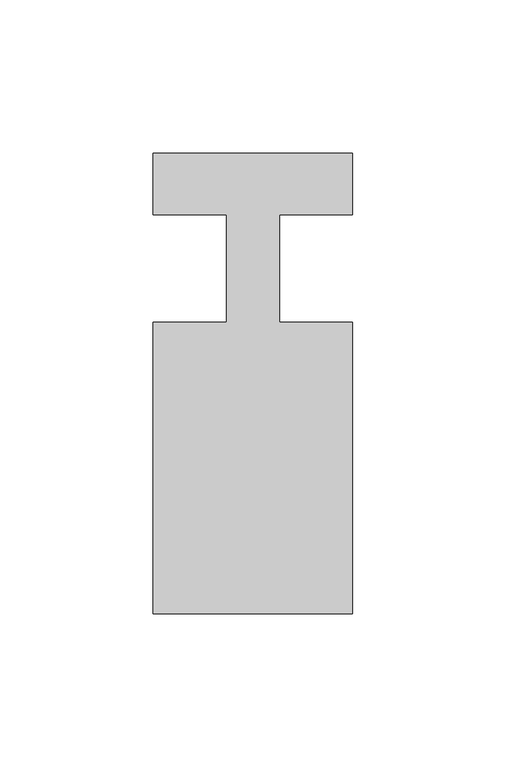
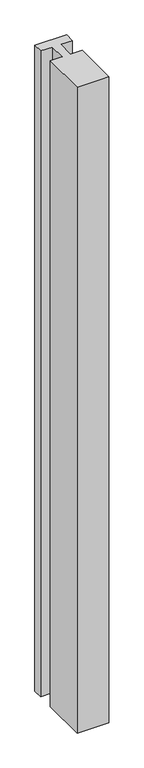
"""IFC4 building model written with IfcOpenShell, lengths in millimetres: member geometry."""

from ifc_helpers import new_model, si_unit, frame, origin, place, context, project, spatial, polyline, outline, extrude, source, transform, mapped, element, save


def member_cee63a37(model_context):
    return source(origin(), model_context, "Body", "SweptSolid", [
        extrude(outline(polyline([(0.0, 37.0), (0.0, 17.0), (-23.8125, 17.0), (-23.8125, -18.0), (0.0, -18.0), (0.0, -113.0), (-65.0, -113.0), (-65.0, -18.0), (-41.1875, -18.0), (-41.1875, 17.0), (-65.0, 17.0), (-65.0, 37.0), (0.0, 37.0)])), frame((0.0, 0.0, -1400.0), z_axis=(0.0, 0.0, 1.0), x_axis=(1.0, 0.0, 0.0)), (0.0, 0.0, 1.0), 1400.0),
    ])


if __name__ == "__main__":
    model = new_model("IFC4")
    model_context = context("Model", 3, world=origin())
    ifc_project = project(units=[si_unit("LENGTHUNIT", "METRE", prefix="MILLI")], contexts=[model_context])
    site = spatial("IfcSite", under=ifc_project)
    building = spatial("IfcBuilding", under=site)
    placement = place(None, origin())
    member_shape = member_cee63a37(model_context)
    element("IfcMember", 1, at=placement, inside=building, context=model_context, shape_type="MappedRepresentation", body=[
        mapped(member_shape, transform((0.0, 0.0, 0.0), x_axis=(1.0, 0.0, 0.0), y_axis=(0.0, 1.0, 0.0), z_axis=(0.0, 0.0, 1.0))),
    ])
    save(model, "model.ifc")
